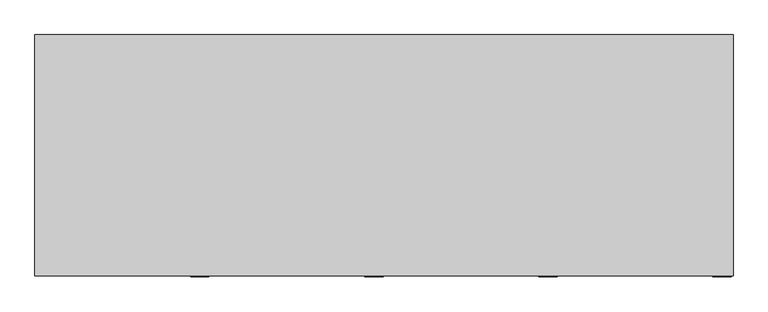
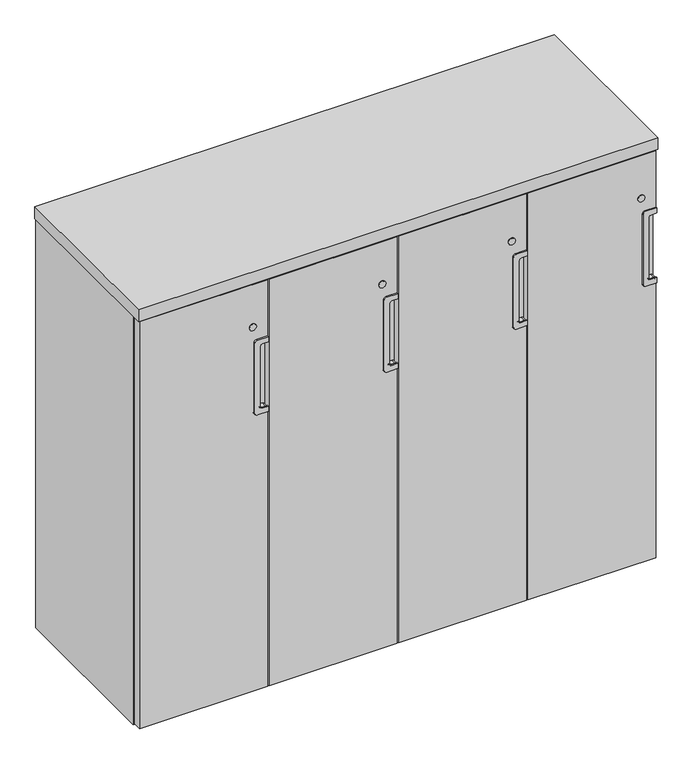
"""IFC4 building model written with IfcOpenShell, lengths in millimetres: furniture geometry."""

import ifcopenshell
import ifcopenshell.guid

model = None  # the IFC model being written
_history = None  # IfcOwnerHistory: only IFC2X3 demands one
_inside = {}  # id of a spatial element -> (the spatial element, [elements in it])
_under = {}  # id of a project, library or spatial element -> (it, [spatial elements below it])
_declared = {}  # id of a project -> (the project, [libraries it declares])
_typed = {}  # id of a type object -> (the type object, [elements of that type])
_made_of = {}  # id of a material, layer set ... -> (it, [elements and type objects made of it])


def new_model(schema):
    """Start an empty IFC model of exactly this schema.

    Asked for "IFC4X3", IfcOpenShell would pick the latest addendum, in which some entities
    have other attributes; the version numbers below select the first issue.
    IFC2X3 requires an IfcOwnerHistory on every rooted entity: one is made here for all.
    """
    global model, _history
    if schema == "IFC4X3":
        model = ifcopenshell.file(schema_version=(4, 3, 0, 0))
    else:
        model = ifcopenshell.file(schema=schema)
    _inside.clear()
    _under.clear()
    _declared.clear()
    _typed.clear()
    _made_of.clear()
    _history = None
    if model.schema == "IFC2X3":
        org = make("IfcOrganization", Name="unknown")
        user = make(
            "IfcPersonAndOrganization",
            ThePerson=make("IfcPerson", FamilyName="unknown"),
            TheOrganization=org,
        )
        app = make(
            "IfcApplication",
            ApplicationDeveloper=org,
            Version="unknown",
            ApplicationFullName="unknown",
            ApplicationIdentifier="unknown",
        )
        _history = make(
            "IfcOwnerHistory",
            OwningUser=user,
            OwningApplication=app,
            ChangeAction="ADDED",
            CreationDate=0,
        )
    return model


def make(cls, **values):
    """One entity of the class cls with the attributes given. An attribute that is None is left unset."""
    return model.create_entity(
        cls, **{name: value for name, value in values.items() if value is not None}
    )


def rooted(cls, **values):
    """An entity with a GlobalId (a new one), such as an element, a storey or a relation."""
    return make(cls, GlobalId=ifcopenshell.guid.new(), OwnerHistory=_history, **values)


def si_unit(unit_type, name, prefix=None):
    """IfcSIUnit, for example si_unit("LENGTHUNIT", "METRE", prefix="MILLI")."""
    return make("IfcSIUnit", UnitType=unit_type, Prefix=prefix, Name=name)


def assignment(units):
    """IfcUnitAssignment: the units of a project."""
    return None if units is None else make("IfcUnitAssignment", Units=units)


def point(xyz):
    """IfcCartesianPoint."""
    return None if xyz is None else make("IfcCartesianPoint", Coordinates=xyz)


def direction(xyz):
    """IfcDirection."""
    return None if xyz is None else make("IfcDirection", DirectionRatios=xyz)


def frame(location, z_axis=None, x_axis=None):
    """IfcAxis2Placement3D, a coordinate frame: its origin and axes. An axis left out is left unset."""
    return make(
        "IfcAxis2Placement3D",
        Location=point(location),
        Axis=direction(z_axis),
        RefDirection=direction(x_axis),
    )


def frame_2d(location, x_axis=None):
    """IfcAxis2Placement2D, a coordinate frame in the plane: its origin and x axis."""
    return make(
        "IfcAxis2Placement2D", Location=point(location), RefDirection=direction(x_axis)
    )


def origin():
    """The frame at (0, 0, 0) with its axes left unset."""
    return frame((0.0, 0.0, 0.0))


def origin_with_axes():
    """The frame at (0, 0, 0) with the z axis (0, 0, 1) and the x axis (1, 0, 0) written out."""
    return frame((0.0, 0.0, 0.0), z_axis=(0.0, 0.0, 1.0), x_axis=(1.0, 0.0, 0.0))


def place(relative_to, where):
    """IfcLocalPlacement: puts the frame where relative to a parent placement (None: the world)."""
    return make(
        "IfcLocalPlacement", PlacementRelTo=relative_to, RelativePlacement=where
    )


def context(
    kind, dimensions, precision=None, world=None, true_north=None, identifier=None
):
    """IfcGeometricRepresentationContext, for example the 3D "Model" context."""
    return make(
        "IfcGeometricRepresentationContext",
        ContextIdentifier=identifier,
        ContextType=kind,
        CoordinateSpaceDimension=dimensions,
        Precision=precision,
        WorldCoordinateSystem=world,
        TrueNorth=true_north,
    )


def project(units=None, contexts=None):
    """IfcProject with its units and contexts."""
    return rooted(
        "IfcProject",
        Name="project",
        RepresentationContexts=contexts,
        UnitsInContext=assignment(units),
    )


def spatial(cls, under=None, at=None, **own):
    """A site, building, storey or space (cls), placed at a placement, below another one or the project."""
    s = rooted(cls, ObjectPlacement=at, **own)
    if under is not None:
        _under.setdefault(under.id(), (under, []))[1].append(s)
    return s


def polyline(points):
    """IfcPolyline through the points."""
    return make("IfcPolyline", Points=[point(p) for p in points])


def circle_curve(where, radius):
    """IfcCircle in the frame where."""
    return make("IfcCircle", Position=where, Radius=radius)


def trimmed(basis, trim1, trim2, sense, master):
    """IfcTrimmedCurve: the piece of a basis curve between two trims."""
    return make(
        "IfcTrimmedCurve",
        BasisCurve=basis,
        Trim1=trim1,
        Trim2=trim2,
        SenseAgreement=sense,
        MasterRepresentation=master,
    )


def segment(curve, same_sense, transition):
    """IfcCompositeCurveSegment."""
    return make(
        "IfcCompositeCurveSegment",
        Transition=transition,
        SameSense=same_sense,
        ParentCurve=curve,
    )


def composite_curve(segments, self_intersect=None):
    """IfcCompositeCurve: segments joined end to end."""
    return make("IfcCompositeCurve", Segments=segments, SelfIntersect=self_intersect)


def outline(outer, holes=None, kind="AREA"):
    """IfcArbitraryClosedProfileDef: a profile drawn as a closed curve; with holes, ...WithVoids."""
    if holes is None:
        return make("IfcArbitraryClosedProfileDef", ProfileType=kind, OuterCurve=outer)
    return make(
        "IfcArbitraryProfileDefWithVoids",
        ProfileType=kind,
        OuterCurve=outer,
        InnerCurves=holes,
    )


def extrude(swept, where, along, depth):
    """IfcExtrudedAreaSolid: the profile swept, set in the frame where, extruded along a direction by depth."""
    return make(
        "IfcExtrudedAreaSolid",
        SweptArea=swept,
        Position=where,
        ExtrudedDirection=direction(along),
        Depth=depth,
    )


def shape(context_of_items, identifier, shape_type, items):
    """IfcShapeRepresentation: the items that make up one representation, for example the "Body"."""
    return make(
        "IfcShapeRepresentation",
        ContextOfItems=context_of_items,
        RepresentationIdentifier=identifier,
        RepresentationType=shape_type,
        Items=items,
    )


def source(mapping_origin, context_of_items, identifier, shape_type, items):
    """IfcRepresentationMap: a shape defined once, which mapped items show again and again."""
    return make(
        "IfcRepresentationMap",
        MappingOrigin=mapping_origin,
        MappedRepresentation=shape(context_of_items, identifier, shape_type, items),
    )


def transform(
    local_origin,
    x_axis=None,
    y_axis=None,
    z_axis=None,
    scale=None,
    scale2=None,
    scale3=None,
    uniform=True,
):
    """IfcCartesianTransformationOperator3D, or its non-uniform kind. x_axis, y_axis, z_axis: its Axis1, 2, 3."""
    if uniform:
        return make(
            "IfcCartesianTransformationOperator3D",
            Axis1=direction(x_axis),
            Axis2=direction(y_axis),
            LocalOrigin=point(local_origin),
            Scale=scale,
            Axis3=direction(z_axis),
        )
    return make(
        "IfcCartesianTransformationOperator3DnonUniform",
        Axis1=direction(x_axis),
        Axis2=direction(y_axis),
        LocalOrigin=point(local_origin),
        Scale=scale,
        Axis3=direction(z_axis),
        Scale2=scale2,
        Scale3=scale3,
    )


def mapped(mapping_source, mapping_target):
    """IfcMappedItem: shows the shape of a source again, moved by a transform."""
    return make(
        "IfcMappedItem", MappingSource=mapping_source, MappingTarget=mapping_target
    )


def made_of(thing, what):
    """Note that an element or type object is made of a material, layer set ...; save() writes the relation."""
    if what is not None:
        _made_of.setdefault(what.id(), (what, []))[1].append(thing)
    return thing


def element(
    cls,
    number,
    at=None,
    inside=None,
    cuts=None,
    type_object=None,
    material=None,
    context=None,
    identifier="Body",
    shape_type=None,
    held_by="IfcProductDefinitionShape",
    body=None,
    shapes=None,
    **own,
):
    """One element of the class cls, such as IfcWall. Its Tag is "e" and its number.

    at: its placement. inside: the storey or other place that contains it. cuts: it is an
    opening in that element (IfcRelVoidsElement). A single representation is given by context,
    identifier, shape_type and body (its items); several are given by shapes. held_by: the class
    of the entity that holds the representations. save() writes the other relations.
    """
    e = rooted(cls, Tag="e%d" % number, ObjectPlacement=at, **own)
    if body is not None:
        shapes = [shape(context, identifier, shape_type, body)]
    if shapes is not None:
        e.Representation = make(held_by, Representations=shapes)
    if inside is not None:
        _inside.setdefault(inside.id(), (inside, []))[1].append(e)
    if cuts is not None:
        rooted(
            "IfcRelVoidsElement", RelatingBuildingElement=cuts, RelatedOpeningElement=e
        )
    if type_object is not None:
        _typed.setdefault(type_object.id(), (type_object, []))[1].append(e)
    return made_of(e, material)


def aggregate(whole, parts):
    """IfcRelAggregates: a whole, such as a stair, and the parts it consists of."""
    return rooted("IfcRelAggregates", RelatingObject=whole, RelatedObjects=parts)


def save(model, path):
    """Write the relations noted so far, then the file.

    IfcRelAggregates (storeys below a building ...), IfcRelContainedInSpatialStructure (elements
    in a storey), IfcRelDefinesByType, IfcRelAssociatesMaterial and IfcRelDeclares: one each for
    every whole, place, type object, material and project.
    """
    for whole, parts in _under.values():
        aggregate(whole, parts)
    for where, things in _inside.values():
        rooted(
            "IfcRelContainedInSpatialStructure",
            RelatedElements=things,
            RelatingStructure=where,
        )
    for kind, things in _typed.values():
        rooted("IfcRelDefinesByType", RelatedObjects=things, RelatingType=kind)
    for what, things in _made_of.values():
        rooted("IfcRelAssociatesMaterial", RelatedObjects=things, RelatingMaterial=what)
    for by, libraries in _declared.values():
        rooted("IfcRelDeclares", RelatingContext=by, RelatedDefinitions=libraries)
    model.write(path)


def plane_surface(at):
    """IfcPlane: the flat surface through the origin of the frame at, square to its z axis."""
    return make("IfcPlane", Position=at)


def revolved_surface(curve, axis_point, axis_direction):
    """IfcSurfaceOfRevolution: the curve turned about the line through axis_point along axis_direction."""
    return make(
        "IfcSurfaceOfRevolution",
        SweptCurve=make("IfcArbitraryOpenProfileDef", ProfileType="CURVE", Curve=curve),
        AxisPosition=make("IfcAxis1Placement", Location=point(axis_point), Axis=direction(axis_direction)),
    )


def advanced_brep(points, edges, surfaces, faces):
    """IfcAdvancedBrep: a solid bounded by faces that lie on surfaces and meet in shared edges.

    An edge is (start, end): straight between two places in points (the first is 0);
    or (start, end, curve); or (start, end, curve, False) where it runs against its curve.
    A face is (place in surfaces, loops), or (place, loops, False) where it looks against
    its surface's normal. A loop lists edges by number (the first is 1), with a minus sign
    where the edge is run from its end to its start. The first loop is the outer one.
    """
    corners = [point(p) for p in points]
    vertices = [make("IfcVertexPoint", VertexGeometry=c) for c in corners]
    made = []
    for start, end, *more in edges:
        made.append(
            make(
                "IfcEdgeCurve",
                EdgeStart=vertices[start],
                EdgeEnd=vertices[end],
                EdgeGeometry=more[0] if more else make("IfcPolyline", Points=[corners[start], corners[end]]),
                SameSense=more[1] if len(more) > 1 else True,
            )
        )
    hull = []
    for where, loops, *sense in faces:
        bounds = []
        for j, loop in enumerate(loops):
            ring = [make("IfcOrientedEdge", EdgeElement=made[abs(k) - 1], Orientation=k > 0) for k in loop]
            bounds.append(
                make(
                    "IfcFaceOuterBound" if j == 0 else "IfcFaceBound",
                    Bound=make("IfcEdgeLoop", EdgeList=ring),
                    Orientation=True,
                )
            )
        hull.append(make("IfcAdvancedFace", Bounds=bounds, FaceSurface=surfaces[where], SameSense=sense[0] if sense else True))
    return make("IfcAdvancedBrep", Outer=make("IfcClosedShell", CfsFaces=hull))


def furniture_829c63c5(model_context):
    return source(origin(), model_context, "Body", "SolidModel", [
        extrude(outline(composite_curve([segment(polyline([(705.7009, 1190.6250158), (855.2307, 1190.6250158)]), True, "CONTINUOUS"), segment(trimmed(circle_curve(frame_2d((855.2307, 1193.7270625)), 3.1020466), [point((855.2307, 1190.6250158))], [point((858.3327466, 1193.7270625))], True, "CARTESIAN"), True, "CONTINUOUS"), segment(polyline([(858.3327466, 1193.7270625), (858.3327466, 1204.8998158)]), True, "CONTINUOUS"), segment(trimmed(circle_curve(frame_2d((863.1079466, 1204.8998158)), 4.7752), [point((858.3327466, 1204.8998158))], [point((863.1079466, 1209.6750158))], False, "CARTESIAN"), True, "CONTINUOUS"), segment(polyline([(863.1079466, 1209.6750158), (871.0327466, 1209.6750158), (871.0327466, 1206.5000158), (863.1079466, 1206.5000158)]), True, "CONTINUOUS"), segment(trimmed(circle_curve(frame_2d((863.1079466, 1204.8998158)), 1.6002), [point((863.1079466, 1206.5000158))], [point((861.5077466, 1204.8998158))], True, "CARTESIAN"), True, "CONTINUOUS"), segment(polyline([(861.5077466, 1204.8998158), (861.5077466, 1193.7270625)]), True, "CONTINUOUS"), segment(trimmed(circle_curve(frame_2d((855.2307, 1193.7270625)), 6.2770466), [point((861.5077466, 1193.7270625))], [point((855.2307, 1187.4500158))], False, "CARTESIAN"), True, "CONTINUOUS"), segment(polyline([(855.2307, 1187.4500158), (705.7009, 1187.4500158)]), True, "CONTINUOUS"), segment(trimmed(circle_curve(frame_2d((705.7009, 1195.4002158)), 7.9502), [point((705.7009, 1187.4500158))], [point((697.7507, 1195.4002158))], False, "CARTESIAN"), True, "CONTINUOUS"), segment(polyline([(697.7507, 1195.4002158), (697.7507, 1204.8998158)]), True, "CONTINUOUS"), segment(trimmed(circle_curve(frame_2d((696.1505, 1204.8998158)), 1.6002), [point((697.7507, 1204.8998158))], [point((696.1505, 1206.5000158))], True, "CARTESIAN"), True, "CONTINUOUS"), segment(polyline([(696.1505, 1206.5000158), (688.2257, 1206.5000158), (688.2257, 1209.6750158), (696.1505, 1209.6750158)]), True, "CONTINUOUS"), segment(trimmed(circle_curve(frame_2d((696.1505, 1204.8998158)), 4.7752), [point((696.1505, 1209.6750158))], [point((700.9257, 1204.8998158))], False, "CARTESIAN"), True, "CONTINUOUS"), segment(polyline([(700.9257, 1204.8998158), (700.9257, 1195.4002158)]), True, "CONTINUOUS"), segment(trimmed(circle_curve(frame_2d((705.7009, 1195.4002158)), 4.7752), [point((700.9257, 1195.4002158))], [point((705.7009, 1190.6250158))], True, "CARTESIAN"), True, "CONTINUOUS")], self_intersect=False)), frame((0.0, -425.5865021, 0.0), z_axis=(0.0, 1.0, 0.0), x_axis=(0.0, 0.0, 1.0)), (0.0, 0.0, 1.0), 12.7),
        extrude(outline(composite_curve([segment(polyline([(688.2257, 1209.6750158), (700.9257, 1209.6750158), (700.9257, 1193.7270625)]), True, "CONTINUOUS"), segment(trimmed(circle_curve(frame_2d((704.0277466, 1193.7270625)), 3.1020466), [point((700.9257, 1193.7270625))], [point((704.0277466, 1190.6250158))], True, "CARTESIAN"), True, "CONTINUOUS"), segment(polyline([(704.0277466, 1190.6250158), (855.2307, 1190.6250158)]), True, "CONTINUOUS"), segment(trimmed(circle_curve(frame_2d((855.2307, 1195.4002158)), 4.7752), [point((855.2307, 1190.6250158))], [point((860.0059, 1195.4002158))], True, "CARTESIAN"), True, "CONTINUOUS"), segment(polyline([(860.0059, 1195.4002158), (860.0059, 1209.6750158), (872.7059, 1209.6750158), (872.7059, 1184.1480158)]), True, "CONTINUOUS"), segment(trimmed(circle_curve(frame_2d((866.3559, 1184.1480158)), 6.35), [point((872.7059, 1184.1480158))], [point((866.3559, 1177.7980158))], False, "CARTESIAN"), True, "CONTINUOUS"), segment(polyline([(866.3559, 1177.7980158), (694.5757, 1177.7980158)]), True, "CONTINUOUS"), segment(trimmed(circle_curve(frame_2d((694.5757, 1184.1480158)), 6.35), [point((694.5757, 1177.7980158))], [point((688.2257, 1184.1480158))], False, "CARTESIAN"), True, "CONTINUOUS"), segment(polyline([(688.2257, 1184.1480158), (688.2257, 1209.6750158)]), True, "CONTINUOUS")], self_intersect=False)), frame((0.0, -428.7615021, 0.0), z_axis=(0.0, 1.0, 0.0), x_axis=(0.0, 0.0, 1.0)), (0.0, 0.0, 1.0), 3.175),
        extrude(outline(composite_curve([segment(polyline([(866.3559, 1177.7980158), (694.5757, 1177.7980158)]), True, "CONTINUOUS"), segment(trimmed(circle_curve(frame_2d((694.5757, 1184.1480158)), 6.35), [point((694.5757, 1177.7980158))], [point((688.2257, 1184.1480158))], False, "CARTESIAN"), True, "CONTINUOUS"), segment(polyline([(688.2257, 1184.1480158), (688.2257, 1209.6750158), (872.7059, 1209.6750158), (872.7059, 1184.1480158)]), True, "CONTINUOUS"), segment(trimmed(circle_curve(frame_2d((866.3559, 1184.1480158)), 6.35), [point((872.7059, 1184.1480158))], [point((866.3559, 1177.7980158))], False, "CARTESIAN"), True, "CONTINUOUS")], self_intersect=False)), frame((0.0, -412.8865021, 0.0), z_axis=(0.0, 1.0, 0.0), x_axis=(0.0, 0.0, 1.0)), (0.0, 0.0, 1.0), 3.175),
        extrude(outline(composite_curve([segment(polyline([(705.7009, 888.2062579), (855.2307, 888.2062579)]), True, "CONTINUOUS"), segment(trimmed(circle_curve(frame_2d((855.2307, 891.3083046)), 3.1020466), [point((855.2307, 888.2062579))], [point((858.3327466, 891.3083046))], True, "CARTESIAN"), True, "CONTINUOUS"), segment(polyline([(858.3327466, 891.3083046), (858.3327466, 902.4810579)]), True, "CONTINUOUS"), segment(trimmed(circle_curve(frame_2d((863.1079466, 902.4810579)), 4.7752), [point((858.3327466, 902.4810579))], [point((863.1079466, 907.2562579))], False, "CARTESIAN"), True, "CONTINUOUS"), segment(polyline([(863.1079466, 907.2562579), (871.0327466, 907.2562579), (871.0327466, 904.0812579), (863.1079466, 904.0812579)]), True, "CONTINUOUS"), segment(trimmed(circle_curve(frame_2d((863.1079466, 902.4810579)), 1.6002), [point((863.1079466, 904.0812579))], [point((861.5077466, 902.4810579))], True, "CARTESIAN"), True, "CONTINUOUS"), segment(polyline([(861.5077466, 902.4810579), (861.5077466, 891.3083046)]), True, "CONTINUOUS"), segment(trimmed(circle_curve(frame_2d((855.2307, 891.3083046)), 6.2770466), [point((861.5077466, 891.3083046))], [point((855.2307, 885.0312579))], False, "CARTESIAN"), True, "CONTINUOUS"), segment(polyline([(855.2307, 885.0312579), (705.7009, 885.0312579)]), True, "CONTINUOUS"), segment(trimmed(circle_curve(frame_2d((705.7009, 892.9814579)), 7.9502), [point((705.7009, 885.0312579))], [point((697.7507, 892.9814579))], False, "CARTESIAN"), True, "CONTINUOUS"), segment(polyline([(697.7507, 892.9814579), (697.7507, 902.4810579)]), True, "CONTINUOUS"), segment(trimmed(circle_curve(frame_2d((696.1505, 902.4810579)), 1.6002), [point((697.7507, 902.4810579))], [point((696.1505, 904.0812579))], True, "CARTESIAN"), True, "CONTINUOUS"), segment(polyline([(696.1505, 904.0812579), (688.2257, 904.0812579), (688.2257, 907.2562579), (696.1505, 907.2562579)]), True, "CONTINUOUS"), segment(trimmed(circle_curve(frame_2d((696.1505, 902.4810579)), 4.7752), [point((696.1505, 907.2562579))], [point((700.9257, 902.4810579))], False, "CARTESIAN"), True, "CONTINUOUS"), segment(polyline([(700.9257, 902.4810579), (700.9257, 892.9814579)]), True, "CONTINUOUS"), segment(trimmed(circle_curve(frame_2d((705.7009, 892.9814579)), 4.7752), [point((700.9257, 892.9814579))], [point((705.7009, 888.2062579))], True, "CARTESIAN"), True, "CONTINUOUS")], self_intersect=False)), frame((0.0, -425.5865021, 0.0), z_axis=(0.0, 1.0, 0.0), x_axis=(0.0, 0.0, 1.0)), (0.0, 0.0, 1.0), 12.7),
        extrude(outline(composite_curve([segment(polyline([(688.2257, 907.2562579), (700.9257, 907.2562579), (700.9257, 891.3083046)]), True, "CONTINUOUS"), segment(trimmed(circle_curve(frame_2d((704.0277466, 891.3083046)), 3.1020466), [point((700.9257, 891.3083046))], [point((704.0277466, 888.2062579))], True, "CARTESIAN"), True, "CONTINUOUS"), segment(polyline([(704.0277466, 888.2062579), (855.2307, 888.2062579)]), True, "CONTINUOUS"), segment(trimmed(circle_curve(frame_2d((855.2307, 892.9814579)), 4.7752), [point((855.2307, 888.2062579))], [point((860.0059, 892.9814579))], True, "CARTESIAN"), True, "CONTINUOUS"), segment(polyline([(860.0059, 892.9814579), (860.0059, 907.2562579), (872.7059, 907.2562579), (872.7059, 881.7292579)]), True, "CONTINUOUS"), segment(trimmed(circle_curve(frame_2d((866.3559, 881.7292579)), 6.35), [point((872.7059, 881.7292579))], [point((866.3559, 875.3792579))], False, "CARTESIAN"), True, "CONTINUOUS"), segment(polyline([(866.3559, 875.3792579), (694.5757, 875.3792579)]), True, "CONTINUOUS"), segment(trimmed(circle_curve(frame_2d((694.5757, 881.7292579)), 6.35), [point((694.5757, 875.3792579))], [point((688.2257, 881.7292579))], False, "CARTESIAN"), True, "CONTINUOUS"), segment(polyline([(688.2257, 881.7292579), (688.2257, 907.2562579)]), True, "CONTINUOUS")], self_intersect=False)), frame((0.0, -428.7615021, 0.0), z_axis=(0.0, 1.0, 0.0), x_axis=(0.0, 0.0, 1.0)), (0.0, 0.0, 1.0), 3.175),
        extrude(outline(composite_curve([segment(polyline([(866.3559, 875.3792579), (694.5757, 875.3792579)]), True, "CONTINUOUS"), segment(trimmed(circle_curve(frame_2d((694.5757, 881.7292579)), 6.35), [point((694.5757, 875.3792579))], [point((688.2257, 881.7292579))], False, "CARTESIAN"), True, "CONTINUOUS"), segment(polyline([(688.2257, 881.7292579), (688.2257, 907.2562579), (872.7059, 907.2562579), (872.7059, 881.7292579)]), True, "CONTINUOUS"), segment(trimmed(circle_curve(frame_2d((866.3559, 881.7292579)), 6.35), [point((872.7059, 881.7292579))], [point((866.3559, 875.3792579))], False, "CARTESIAN"), True, "CONTINUOUS")], self_intersect=False)), frame((0.0, -412.8865021, 0.0), z_axis=(0.0, 1.0, 0.0), x_axis=(0.0, 0.0, 1.0)), (0.0, 0.0, 1.0), 3.175),
        extrude(outline(composite_curve([segment(polyline([(705.7009, 585.7875), (855.2307, 585.7875)]), True, "CONTINUOUS"), segment(trimmed(circle_curve(frame_2d((855.2307, 588.8895466)), 3.1020466), [point((855.2307, 585.7875))], [point((858.3327466, 588.8895466))], True, "CARTESIAN"), True, "CONTINUOUS"), segment(polyline([(858.3327466, 588.8895466), (858.3327466, 600.0623)]), True, "CONTINUOUS"), segment(trimmed(circle_curve(frame_2d((863.1079466, 600.0623)), 4.7752), [point((858.3327466, 600.0623))], [point((863.1079466, 604.8375))], False, "CARTESIAN"), True, "CONTINUOUS"), segment(polyline([(863.1079466, 604.8375), (871.0327466, 604.8375), (871.0327466, 601.6625), (863.1079466, 601.6625)]), True, "CONTINUOUS"), segment(trimmed(circle_curve(frame_2d((863.1079466, 600.0623)), 1.6002), [point((863.1079466, 601.6625))], [point((861.5077466, 600.0623))], True, "CARTESIAN"), True, "CONTINUOUS"), segment(polyline([(861.5077466, 600.0623), (861.5077466, 588.8895466)]), True, "CONTINUOUS"), segment(trimmed(circle_curve(frame_2d((855.2307, 588.8895466)), 6.2770466), [point((861.5077466, 588.8895466))], [point((855.2307, 582.6125))], False, "CARTESIAN"), True, "CONTINUOUS"), segment(polyline([(855.2307, 582.6125), (705.7009, 582.6125)]), True, "CONTINUOUS"), segment(trimmed(circle_curve(frame_2d((705.7009, 590.5627)), 7.9502), [point((705.7009, 582.6125))], [point((697.7507, 590.5627))], False, "CARTESIAN"), True, "CONTINUOUS"), segment(polyline([(697.7507, 590.5627), (697.7507, 600.0623)]), True, "CONTINUOUS"), segment(trimmed(circle_curve(frame_2d((696.1505, 600.0623)), 1.6002), [point((697.7507, 600.0623))], [point((696.1505, 601.6625))], True, "CARTESIAN"), True, "CONTINUOUS"), segment(polyline([(696.1505, 601.6625), (688.2257, 601.6625), (688.2257, 604.8375), (696.1505, 604.8375)]), True, "CONTINUOUS"), segment(trimmed(circle_curve(frame_2d((696.1505, 600.0623)), 4.7752), [point((696.1505, 604.8375))], [point((700.9257, 600.0623))], False, "CARTESIAN"), True, "CONTINUOUS"), segment(polyline([(700.9257, 600.0623), (700.9257, 590.5627)]), True, "CONTINUOUS"), segment(trimmed(circle_curve(frame_2d((705.7009, 590.5627)), 4.7752), [point((700.9257, 590.5627))], [point((705.7009, 585.7875))], True, "CARTESIAN"), True, "CONTINUOUS")], self_intersect=False)), frame((0.0, -425.5865021, 0.0), z_axis=(0.0, 1.0, 0.0), x_axis=(0.0, 0.0, 1.0)), (0.0, 0.0, 1.0), 12.7),
        extrude(outline(composite_curve([segment(polyline([(688.2257, 604.8375), (700.9257, 604.8375), (700.9257, 588.8895466)]), True, "CONTINUOUS"), segment(trimmed(circle_curve(frame_2d((704.0277466, 588.8895466)), 3.1020466), [point((700.9257, 588.8895466))], [point((704.0277466, 585.7875))], True, "CARTESIAN"), True, "CONTINUOUS"), segment(polyline([(704.0277466, 585.7875), (855.2307, 585.7875)]), True, "CONTINUOUS"), segment(trimmed(circle_curve(frame_2d((855.2307, 590.5627)), 4.7752), [point((855.2307, 585.7875))], [point((860.0059, 590.5627))], True, "CARTESIAN"), True, "CONTINUOUS"), segment(polyline([(860.0059, 590.5627), (860.0059, 604.8375), (872.7059, 604.8375), (872.7059, 579.3105)]), True, "CONTINUOUS"), segment(trimmed(circle_curve(frame_2d((866.3559, 579.3105)), 6.35), [point((872.7059, 579.3105))], [point((866.3559, 572.9605))], False, "CARTESIAN"), True, "CONTINUOUS"), segment(polyline([(866.3559, 572.9605), (694.5757, 572.9605)]), True, "CONTINUOUS"), segment(trimmed(circle_curve(frame_2d((694.5757, 579.3105)), 6.35), [point((694.5757, 572.9605))], [point((688.2257, 579.3105))], False, "CARTESIAN"), True, "CONTINUOUS"), segment(polyline([(688.2257, 579.3105), (688.2257, 604.8375)]), True, "CONTINUOUS")], self_intersect=False)), frame((0.0, -428.7615021, 0.0), z_axis=(0.0, 1.0, 0.0), x_axis=(0.0, 0.0, 1.0)), (0.0, 0.0, 1.0), 3.175),
        extrude(outline(composite_curve([segment(polyline([(866.3559, 572.9605), (694.5757, 572.9605)]), True, "CONTINUOUS"), segment(trimmed(circle_curve(frame_2d((694.5757, 579.3105)), 6.35), [point((694.5757, 572.9605))], [point((688.2257, 579.3105))], False, "CARTESIAN"), True, "CONTINUOUS"), segment(polyline([(688.2257, 579.3105), (688.2257, 604.8375), (872.7059, 604.8375), (872.7059, 579.3105)]), True, "CONTINUOUS"), segment(trimmed(circle_curve(frame_2d((866.3559, 579.3105)), 6.35), [point((872.7059, 579.3105))], [point((866.3559, 572.9605))], False, "CARTESIAN"), True, "CONTINUOUS")], self_intersect=False)), frame((0.0, -412.8865021, 0.0), z_axis=(0.0, 1.0, 0.0), x_axis=(0.0, 0.0, 1.0)), (0.0, 0.0, 1.0), 3.175),
        extrude(outline(composite_curve([segment(polyline([(705.7009, 283.3687421), (855.2307, 283.3687421)]), True, "CONTINUOUS"), segment(trimmed(circle_curve(frame_2d((855.2307, 286.4707887)), 3.1020466), [point((855.2307, 283.3687421))], [point((858.3327466, 286.4707887))], True, "CARTESIAN"), True, "CONTINUOUS"), segment(polyline([(858.3327466, 286.4707887), (858.3327466, 297.6435421)]), True, "CONTINUOUS"), segment(trimmed(circle_curve(frame_2d((863.1079466, 297.6435421)), 4.7752), [point((858.3327466, 297.6435421))], [point((863.1079466, 302.4187421))], False, "CARTESIAN"), True, "CONTINUOUS"), segment(polyline([(863.1079466, 302.4187421), (871.0327466, 302.4187421), (871.0327466, 299.2437421), (863.1079466, 299.2437421)]), True, "CONTINUOUS"), segment(trimmed(circle_curve(frame_2d((863.1079466, 297.6435421)), 1.6002), [point((863.1079466, 299.2437421))], [point((861.5077466, 297.6435421))], True, "CARTESIAN"), True, "CONTINUOUS"), segment(polyline([(861.5077466, 297.6435421), (861.5077466, 286.4707887)]), True, "CONTINUOUS"), segment(trimmed(circle_curve(frame_2d((855.2307, 286.4707887)), 6.2770466), [point((861.5077466, 286.4707887))], [point((855.2307, 280.1937421))], False, "CARTESIAN"), True, "CONTINUOUS"), segment(polyline([(855.2307, 280.1937421), (705.7009, 280.1937421)]), True, "CONTINUOUS"), segment(trimmed(circle_curve(frame_2d((705.7009, 288.1439421)), 7.9502), [point((705.7009, 280.1937421))], [point((697.7507, 288.1439421))], False, "CARTESIAN"), True, "CONTINUOUS"), segment(polyline([(697.7507, 288.1439421), (697.7507, 297.6435421)]), True, "CONTINUOUS"), segment(trimmed(circle_curve(frame_2d((696.1505, 297.6435421)), 1.6002), [point((697.7507, 297.6435421))], [point((696.1505, 299.2437421))], True, "CARTESIAN"), True, "CONTINUOUS"), segment(polyline([(696.1505, 299.2437421), (688.2257, 299.2437421), (688.2257, 302.4187421), (696.1505, 302.4187421)]), True, "CONTINUOUS"), segment(trimmed(circle_curve(frame_2d((696.1505, 297.6435421)), 4.7752), [point((696.1505, 302.4187421))], [point((700.9257, 297.6435421))], False, "CARTESIAN"), True, "CONTINUOUS"), segment(polyline([(700.9257, 297.6435421), (700.9257, 288.1439421)]), True, "CONTINUOUS"), segment(trimmed(circle_curve(frame_2d((705.7009, 288.1439421)), 4.7752), [point((700.9257, 288.1439421))], [point((705.7009, 283.3687421))], True, "CARTESIAN"), True, "CONTINUOUS")], self_intersect=False)), frame((0.0, -425.5865021, 0.0), z_axis=(0.0, 1.0, 0.0), x_axis=(0.0, 0.0, 1.0)), (0.0, 0.0, 1.0), 12.7),
        extrude(outline(composite_curve([segment(polyline([(688.2257, 302.4187421), (700.9257, 302.4187421), (700.9257, 286.4707887)]), True, "CONTINUOUS"), segment(trimmed(circle_curve(frame_2d((704.0277466, 286.4707887)), 3.1020466), [point((700.9257, 286.4707887))], [point((704.0277466, 283.3687421))], True, "CARTESIAN"), True, "CONTINUOUS"), segment(polyline([(704.0277466, 283.3687421), (855.2307, 283.3687421)]), True, "CONTINUOUS"), segment(trimmed(circle_curve(frame_2d((855.2307, 288.1439421)), 4.7752), [point((855.2307, 283.3687421))], [point((860.0059, 288.1439421))], True, "CARTESIAN"), True, "CONTINUOUS"), segment(polyline([(860.0059, 288.1439421), (860.0059, 302.4187421), (872.7059, 302.4187421), (872.7059, 276.8917421)]), True, "CONTINUOUS"), segment(trimmed(circle_curve(frame_2d((866.3559, 276.8917421)), 6.35), [point((872.7059, 276.8917421))], [point((866.3559, 270.5417421))], False, "CARTESIAN"), True, "CONTINUOUS"), segment(polyline([(866.3559, 270.5417421), (694.5757, 270.5417421)]), True, "CONTINUOUS"), segment(trimmed(circle_curve(frame_2d((694.5757, 276.8917421)), 6.35), [point((694.5757, 270.5417421))], [point((688.2257, 276.8917421))], False, "CARTESIAN"), True, "CONTINUOUS"), segment(polyline([(688.2257, 276.8917421), (688.2257, 302.4187421)]), True, "CONTINUOUS")], self_intersect=False)), frame((0.0, -428.7615021, 0.0), z_axis=(0.0, 1.0, 0.0), x_axis=(0.0, 0.0, 1.0)), (0.0, 0.0, 1.0), 3.175),
        extrude(outline(composite_curve([segment(polyline([(866.3559, 270.5417421), (694.5757, 270.5417421)]), True, "CONTINUOUS"), segment(trimmed(circle_curve(frame_2d((694.5757, 276.8917421)), 6.35), [point((694.5757, 270.5417421))], [point((688.2257, 276.8917421))], False, "CARTESIAN"), True, "CONTINUOUS"), segment(polyline([(688.2257, 276.8917421), (688.2257, 302.4187421), (872.7059, 302.4187421), (872.7059, 276.8917421)]), True, "CONTINUOUS"), segment(trimmed(circle_curve(frame_2d((866.3559, 276.8917421)), 6.35), [point((872.7059, 276.8917421))], [point((866.3559, 270.5417421))], False, "CARTESIAN"), True, "CONTINUOUS")], self_intersect=False)), frame((0.0, -412.8865021, 0.0), z_axis=(0.0, 1.0, 0.0), x_axis=(0.0, 0.0, 1.0)), (0.0, 0.0, 1.0), 3.175),
        extrude(outline(polyline([(1150.5192181, -345.6312472), (1166.4670759, -336.4237472), (1182.4149337, -345.6312472), (1182.4149337, -364.0462472), (1166.4670759, -373.2537472), (1150.5192181, -364.0462472), (1150.5192181, -345.6312472)])), origin_with_axes(), (0.0, 0.0, 1.0), 9.144),
        extrude(outline(polyline([(1150.5192181, -47.1181713), (1166.4670759, -37.9106713), (1182.4149337, -47.1181713), (1182.4149337, -65.5331713), (1166.4670759, -74.7406713), (1150.5192181, -65.5331713), (1150.5192181, -47.1181713)])), origin_with_axes(), (0.0, 0.0, 1.0), 9.144),
        extrude(outline(polyline([(30.4350663, -345.6312472), (46.3829241, -336.4237472), (62.3307819, -345.6312472), (62.3307819, -364.0462472), (46.3829241, -373.2537472), (30.4350663, -364.0462472), (30.4350663, -345.6312472)])), origin_with_axes(), (0.0, 0.0, 1.0), 9.144),
        extrude(outline(polyline([(30.4350663, -47.1181713), (46.3829241, -37.9106713), (62.3307819, -47.1181713), (62.3307819, -65.5331713), (46.3829241, -74.7406713), (30.4350663, -65.5331713), (30.4350663, -47.1181713)])), origin_with_axes(), (0.0, 0.0, 1.0), 9.144),
        extrude(outline(polyline([(587.1210079, -30.4938704), (606.4250079, -30.4938704), (606.4250079, -401.5835036), (587.1210079, -401.5835036), (587.1210079, -30.4938704)])), frame((0.0, 0.0, 79.57058), z_axis=(0.0, 0.0, 1.0), x_axis=(1.0, 0.0, 0.0)), (0.0, 0.0, 1.0), 935.08322),
        extrude(outline(polyline([(889.5397579, -30.4938704), (908.8437579, -30.4938704), (908.8437579, -401.5835036), (889.5397579, -401.5835036), (889.5397579, -30.4938704)])), frame((0.0, 0.0, 79.57058), z_axis=(0.0, 0.0, 1.0), x_axis=(1.0, 0.0, 0.0)), (0.0, 0.0, 1.0), 935.08322),
        extrude(outline(polyline([(304.0062421, -30.4938704), (304.0062421, -401.5835036), (284.7022421, -401.5835036), (284.7022421, -30.4938704), (304.0062421, -30.4938704)])), frame((0.0, 0.0, 79.57058), z_axis=(0.0, 0.0, 1.0), x_axis=(1.0, 0.0, 0.0)), (0.0, 0.0, 1.0), 935.08322),
        extrude(outline(polyline([(1191.9585154, -11.1898712), (1191.9585154, -30.4938704), (20.8915005, -30.4938704), (20.8915005, -11.1898712), (1191.9585154, -11.1898712)])), frame((0.0, 0.0, 4.699), z_axis=(0.0, 0.0, 1.0), x_axis=(1.0, 0.0, 0.0)), (0.0, 0.0, 1.0), 1009.9548),
        extrude(outline(polyline([(20.8915005, -9.6658713), (20.8915005, -403.1075021), (1.5874842, -403.1075021), (1.5874842, -9.6658713), (20.8915005, -9.6658713)])), frame((0.0, 0.0, 4.699), z_axis=(0.0, 0.0, 1.0), x_axis=(1.0, 0.0, 0.0)), (0.0, 0.0, 1.0), 1009.9548),
        extrude(outline(polyline([(1191.9585154, -9.6658713), (1211.2625158, -9.6658713), (1211.2625158, -403.1075021), (1191.9585154, -403.1075021), (1191.9585154, -9.6658713)])), frame((0.0, 0.0, 4.699), z_axis=(0.0, 0.0, 1.0), x_axis=(1.0, 0.0, 0.0)), (0.0, 0.0, 1.0), 1009.9548),
        extrude(outline(polyline([(625.7290079, -30.4938704), (625.7290079, -401.5835036), (606.4250079, -401.5835036), (606.4250079, -30.4938704), (625.7290079, -30.4938704)])), frame((0.0, 0.0, 79.57058), z_axis=(0.0, 0.0, 1.0), x_axis=(1.0, 0.0, 0.0)), (0.0, 0.0, 1.0), 935.08322),
        extrude(outline(polyline([(304.0062421, -30.4938704), (323.3102421, -30.4938704), (323.3102421, -401.5835036), (304.0062421, -401.5835036), (304.0062421, -30.4938704)])), frame((0.0, 0.0, 79.57058), z_axis=(0.0, 0.0, 1.0), x_axis=(1.0, 0.0, 0.0)), (0.0, 0.0, 1.0), 935.08322),
        extrude(outline(polyline([(928.1477579, -30.4938704), (928.1477579, -401.5835036), (908.8437579, -401.5835036), (908.8437579, -30.4938704), (928.1477579, -30.4938704)])), frame((0.0, 0.0, 79.57058), z_axis=(0.0, 0.0, 1.0), x_axis=(1.0, 0.0, 0.0)), (0.0, 0.0, 1.0), 935.08322),
        extrude(outline(polyline([(1191.9585154, -30.4938704), (1191.9585154, -402.7264934), (20.8915005, -402.7264934), (20.8915005, -30.4938704), (1191.9585154, -30.4938704)])), frame((0.0, 0.0, 995.3498), z_axis=(0.0, 0.0, 1.0), x_axis=(1.0, 0.0, 0.0)), (0.0, 0.0, 1.0), 19.304),
        extrude(outline(polyline([(1212.85, -8.0783713), (1212.85, -427.1783713), (0.0, -427.1783713), (0.0, -8.0783713), (1212.85, -8.0783713)])), frame((0.0, 0.0, 1014.6538031), z_axis=(0.0, 0.0, 1.0), x_axis=(1.0, 0.0, 0.0)), (0.0, 0.0, 1.0), 28.5749969),
        extrude(outline(polyline([(1191.9585154, -30.4938704), (1191.9585154, -402.7264934), (20.8915005, -402.7264934), (20.8915005, -30.4938704), (1191.9585154, -30.4938704)])), frame((0.0, 0.0, 60.26658), z_axis=(0.0, 0.0, 1.0), x_axis=(1.0, 0.0, 0.0)), (0.0, 0.0, 1.0), 19.304),
        extrude(outline(polyline([(1191.9585154, -401.5835036), (20.8915005, -401.5835036), (20.8915005, -382.2795036), (1191.9585154, -382.2795036), (1191.9585154, -401.5835036)])), frame((0.0, 0.0, 4.699), z_axis=(0.0, 0.0, 1.0), x_axis=(1.0, 0.0, 0.0)), (0.0, 0.0, 1.0), 55.56758),
        extrude(outline(composite_curve([segment(trimmed(circle_curve(frame_2d((906.7038, 267.4937421)), 8.001), [point((906.7038, 259.4927421))], [point((906.7038, 275.4947421))], False, "CARTESIAN"), True, "CONTINUOUS"), segment(trimmed(circle_curve(frame_2d((906.7038, 267.4937421)), 8.001), [point((906.7038, 275.4947421))], [point((906.7038, 259.4927421))], False, "CARTESIAN"), True, "CONTINUOUS")], self_intersect=False)), frame((0.0, -427.1783713, 0.0), z_axis=(0.0, 1.0, 0.0), x_axis=(0.0, 0.0, 1.0)), (0.0, 0.0, 1.0), 1.5918692),
        extrude(outline(composite_curve([segment(trimmed(circle_curve(frame_2d((906.7038, 569.9125)), 8.001), [point((906.7038, 561.9115))], [point((906.7038, 577.9135))], False, "CARTESIAN"), True, "CONTINUOUS"), segment(trimmed(circle_curve(frame_2d((906.7038, 569.9125)), 8.001), [point((906.7038, 577.9135))], [point((906.7038, 561.9115))], False, "CARTESIAN"), True, "CONTINUOUS")], self_intersect=False)), frame((0.0, -427.1783713, 0.0), z_axis=(0.0, 1.0, 0.0), x_axis=(0.0, 0.0, 1.0)), (0.0, 0.0, 1.0), 1.5918692),
        extrude(outline(composite_curve([segment(trimmed(circle_curve(frame_2d((906.7038, 872.3312579)), 8.001), [point((906.7038, 864.3302579))], [point((906.7038, 880.3322579))], False, "CARTESIAN"), True, "CONTINUOUS"), segment(trimmed(circle_curve(frame_2d((906.7038, 872.3312579)), 8.001), [point((906.7038, 880.3322579))], [point((906.7038, 864.3302579))], False, "CARTESIAN"), True, "CONTINUOUS")], self_intersect=False)), frame((0.0, -427.1783713, 0.0), z_axis=(0.0, 1.0, 0.0), x_axis=(0.0, 0.0, 1.0)), (0.0, 0.0, 1.0), 1.5918692),
        extrude(outline(composite_curve([segment(trimmed(circle_curve(frame_2d((906.7038, 1174.7500158)), 8.001), [point((906.7038, 1166.7490158))], [point((906.7038, 1182.7510158))], False, "CARTESIAN"), True, "CONTINUOUS"), segment(trimmed(circle_curve(frame_2d((906.7038, 1174.7500158)), 8.001), [point((906.7038, 1182.7510158))], [point((906.7038, 1166.7490158))], False, "CARTESIAN"), True, "CONTINUOUS")], self_intersect=False)), frame((0.0, -427.1783713, 0.0), z_axis=(0.0, 1.0, 0.0), x_axis=(0.0, 0.0, 1.0)), (0.0, 0.0, 1.0), 1.5918692),
        advanced_brep(
        [(302.4187421, -425.5865021, 1011.4788152), (3.175, -425.5865021, 1011.4788152), (3.175, -425.5865021, 7.874), (302.4187421, -425.5865021, 7.874), (302.4187421, -425.5865021, 688.2257), (276.8917421, -425.5865021, 688.2257), (270.5417421, -425.5865021, 694.5757), (270.5417421, -425.5865021, 866.3559), (276.8917421, -425.5865021, 872.7059), (302.4187421, -425.5865021, 872.7059), (302.4187421, -406.2825021, 1011.4788152), (302.4187421, -406.2825021, 7.874), (3.175, -406.2825021, 7.874), (3.175, -406.2825021, 1011.4788152), (302.4187421, -409.7107913, 872.7059), (302.4187421, -409.7107913, 688.2257), (270.5417421, -409.7107913, 866.3559), (270.5417421, -409.7107913, 694.5757), (276.8917421, -409.7107913, 688.2257), (276.8917421, -409.7107913, 872.7059)],
        [
            (0, 1),
            (1, 2),
            (2, 3),
            (3, 4),
            (4, 5),
            (5, 6, circle_curve(frame((276.8917421, -425.5865021, 694.5757), z_axis=(0.0, 1.0, 0.0), x_axis=(1.0, 0.0, 0.0)), 6.35)),
            (6, 7),
            (7, 8, circle_curve(frame((276.8917421, -425.5865021, 866.3559), z_axis=(0.0, 1.0, 0.0), x_axis=(1.0, 0.0, 0.0)), 6.35)),
            (8, 9),
            (9, 0),
            (10, 11),
            (11, 12),
            (12, 13),
            (13, 10),
            (0, 10),
            (13, 1),
            (12, 2),
            (11, 3),
            (9, 14),
            (14, 15),
            (15, 4),
            (16, 17),
            (17, 18, circle_curve(frame((276.8917421, -409.7107913, 694.5757), z_axis=(0.0, -1.0, 0.0), x_axis=(1.0, 0.0, 0.0)), 6.35)),
            (18, 15),
            (14, 19),
            (19, 16, circle_curve(frame((276.8917421, -409.7107913, 866.3559), z_axis=(0.0, -1.0, 0.0), x_axis=(1.0, 0.0, 0.0)), 6.35)),
            (16, 7),
            (6, 17),
            (5, 18),
            (8, 19),
        ],
        [
            plane_surface(frame((3.175, -425.5865021, 1011.4788152), z_axis=(0.0, -1.0, 0.0), x_axis=(-1.0, 0.0, 0.0))),
            plane_surface(frame((3.175, -406.2825021, 1011.4788152), z_axis=(0.0, 1.0, 0.0), x_axis=(1.0, 0.0, 0.0))),
            plane_surface(frame((302.4187421, -425.5865021, 1011.4788152), z_axis=(0.0, 0.0, 1.0), x_axis=(0.0, 1.0, 0.0))),
            plane_surface(frame((3.175, -425.5865021, 1011.4788152), z_axis=(-1.0, 0.0, 0.0), x_axis=(0.0, 1.0, 0.0))),
            plane_surface(frame((3.175, -425.5865021, 7.874), z_axis=(0.0, 0.0, -1.0), x_axis=(0.0, 1.0, 0.0))),
            plane_surface(frame((302.4187421, -425.5865021, 7.874), z_axis=(1.0, 0.0, 0.0), x_axis=(0.0, 1.0, 0.0))),
            plane_surface(frame((270.5417421, -409.7107913, 866.3559), z_axis=(0.0, -1.0, 0.0), x_axis=(0.0, 0.0, 1.0))),
            plane_surface(frame((270.5417421, -490.6783713, 866.3559), z_axis=(1.0, 0.0, 0.0), x_axis=(0.0, 1.0, 0.0))),
            revolved_surface(polyline([(283.2417421, -425.5865021, 694.5757), (283.2417421, -409.7107913, 694.5757)]), (276.8917421, -409.7107913, 694.5757), (0.0, -1.0, 0.0)),
            plane_surface(frame((276.8917421, -490.6783713, 688.2257), z_axis=(0.0, 0.0, 1.0), x_axis=(0.0, 1.0, 0.0))),
            plane_surface(frame((302.4187421, -490.6783713, 872.7059), z_axis=(0.0, 0.0, -1.0), x_axis=(0.0, 1.0, 0.0))),
            revolved_surface(polyline([(283.2417421, -425.5865021, 866.3559), (283.2417421, -409.7107913, 866.3559)]), (276.8917421, -409.7107913, 866.3559), (0.0, -1.0, 0.0)),
        ],
        [
            (0, [[1, 2, 3, 4, 5, 6, 7, 8, 9, 10]]),
            (1, [[11, 12, 13, 14]]),
            (2, [[-1, 15, -14, 16]]),
            (3, [[-2, -16, -13, 17]]),
            (4, [[-3, -17, -12, 18]]),
            (5, [[-11, -15, -10, 19, 20, 21, -4, -18]]),
            (6, [[22, 23, 24, -20, 25, 26]]),
            (7, [[-22, 27, -7, 28]]),
            (8, [[-23, -28, -6, 29]]),
            (9, [[-24, -29, -5, -21]]),
            (10, [[-25, -19, -9, 30]]),
            (11, [[-26, -30, -8, -27]]),
        ],
    ),
        advanced_brep(
        [(604.8375, -425.5865021, 1011.4788152), (305.5937421, -425.5865021, 1011.4788152), (305.5937421, -425.5865021, 7.874), (604.8375, -425.5865021, 7.874), (604.8375, -425.5865021, 688.2257), (579.3105, -425.5865021, 688.2257), (572.9605, -425.5865021, 694.5757), (572.9605, -425.5865021, 866.3559), (579.3105, -425.5865021, 872.7059), (604.8375, -425.5865021, 872.7059), (604.8375, -406.2825021, 1011.4788152), (604.8375, -406.2825021, 7.874), (305.5937421, -406.2825021, 7.874), (305.5937421, -406.2825021, 1011.4788152), (604.8375, -409.7107913, 872.7059), (604.8375, -409.7107913, 688.2257), (579.3105, -409.7107913, 872.7059), (572.9605, -409.7107913, 866.3559), (572.9605, -409.7107913, 694.5757), (579.3105, -409.7107913, 688.2257)],
        [
            (0, 1),
            (1, 2),
            (2, 3),
            (3, 4),
            (4, 5),
            (5, 6, circle_curve(frame((579.3105, -425.5865021, 694.5757), z_axis=(0.0, 1.0, 0.0), x_axis=(1.0, 0.0, 0.0)), 6.35)),
            (6, 7),
            (7, 8, circle_curve(frame((579.3105, -425.5865021, 866.3559), z_axis=(0.0, 1.0, 0.0), x_axis=(1.0, 0.0, 0.0)), 6.35)),
            (8, 9),
            (9, 0),
            (10, 11),
            (11, 12),
            (12, 13),
            (13, 10),
            (0, 10),
            (13, 1),
            (12, 2),
            (11, 3),
            (9, 14),
            (14, 15),
            (15, 4),
            (16, 17, circle_curve(frame((579.3105, -409.7107913, 866.3559), z_axis=(0.0, -1.0, 0.0), x_axis=(1.0, 0.0, 0.0)), 6.35)),
            (17, 18),
            (18, 19, circle_curve(frame((579.3105, -409.7107913, 694.5757), z_axis=(0.0, -1.0, 0.0), x_axis=(1.0, 0.0, 0.0)), 6.35)),
            (19, 15),
            (14, 16),
            (16, 8),
            (7, 17),
            (6, 18),
            (5, 19),
        ],
        [
            plane_surface(frame((3.175, -425.5865021, 1011.4788152), z_axis=(0.0, -1.0, 0.0), x_axis=(-1.0, 0.0, 0.0))),
            plane_surface(frame((3.175, -406.2825021, 1011.4788152), z_axis=(0.0, 1.0, 0.0), x_axis=(1.0, 0.0, 0.0))),
            plane_surface(frame((604.8375, -425.5865021, 1011.4788152), z_axis=(0.0, 0.0, 1.0), x_axis=(0.0, 1.0, 0.0))),
            plane_surface(frame((305.5937421, -425.5865021, 1011.4788152), z_axis=(-1.0, 0.0, 0.0), x_axis=(0.0, 1.0, 0.0))),
            plane_surface(frame((305.5937421, -425.5865021, 7.874), z_axis=(0.0, 0.0, -1.0), x_axis=(0.0, 1.0, 0.0))),
            plane_surface(frame((604.8375, -425.5865021, 7.874), z_axis=(1.0, 0.0, 0.0), x_axis=(0.0, 1.0, 0.0))),
            plane_surface(frame((270.5417421, -409.7107913, 866.3559), z_axis=(0.0, -1.0, 0.0), x_axis=(0.0, 0.0, 1.0))),
            revolved_surface(polyline([(585.6605000000001, -425.5865021, 866.3559), (585.6605000000001, -409.7107913, 866.3559)]), (579.3105, -8.0783713, 866.3559), (0.0, -1.0, 0.0)),
            plane_surface(frame((572.9605, -490.6783713, 866.3559), z_axis=(1.0, 0.0, 0.0), x_axis=(0.0, 1.0, 0.0))),
            revolved_surface(polyline([(585.6605000000001, -425.5865021, 694.5757), (585.6605000000001, -409.7107913, 694.5757)]), (579.3105, -8.0783713, 694.5757), (0.0, -1.0, 0.0)),
            plane_surface(frame((579.3105, -490.6783713, 688.2257), z_axis=(0.0, 0.0, 1.0), x_axis=(0.0, 1.0, 0.0))),
            plane_surface(frame((604.8375, -490.6783713, 872.7059), z_axis=(0.0, 0.0, -1.0), x_axis=(0.0, 1.0, 0.0))),
        ],
        [
            (0, [[1, 2, 3, 4, 5, 6, 7, 8, 9, 10]]),
            (1, [[11, 12, 13, 14]]),
            (2, [[-1, 15, -14, 16]]),
            (3, [[-2, -16, -13, 17]]),
            (4, [[-3, -17, -12, 18]]),
            (5, [[-11, -15, -10, 19, 20, 21, -4, -18]]),
            (6, [[22, 23, 24, 25, -20, 26]]),
            (7, [[-22, 27, -8, 28]]),
            (8, [[-23, -28, -7, 29]]),
            (9, [[-24, -29, -6, 30]]),
            (10, [[-25, -30, -5, -21]]),
            (11, [[-26, -19, -9, -27]]),
        ],
    ),
        advanced_brep(
        [(907.2562579, -425.5865021, 1011.4788152), (608.0125, -425.5865021, 1011.4788152), (608.0125, -425.5865021, 7.874), (907.2562579, -425.5865021, 7.874), (907.2562579, -425.5865021, 688.2257), (881.7292579, -425.5865021, 688.2257), (875.3792579, -425.5865021, 694.5757), (875.3792579, -425.5865021, 866.3559), (881.7292579, -425.5865021, 872.7059), (907.2562579, -425.5865021, 872.7059), (907.2562579, -406.2825021, 7.874), (608.0125, -406.2825021, 7.874), (608.0125, -406.2825021, 1011.4788152), (907.2562579, -406.2825021, 1011.4788152), (907.2562579, -409.7107913, 872.7059), (907.2562579, -409.7107913, 688.2257), (881.7292579, -409.7107913, 872.7059), (875.3792579, -409.7107913, 866.3559), (875.3792579, -409.7107913, 694.5757), (881.7292579, -409.7107913, 688.2257)],
        [
            (0, 1),
            (1, 2),
            (2, 3),
            (3, 4),
            (4, 5),
            (5, 6, circle_curve(frame((881.7292579, -425.5865021, 694.5757), z_axis=(0.0, 1.0, 0.0), x_axis=(1.0, 0.0, 0.0)), 6.35)),
            (6, 7),
            (7, 8, circle_curve(frame((881.7292579, -425.5865021, 866.3559), z_axis=(0.0, 1.0, 0.0), x_axis=(1.0, 0.0, 0.0)), 6.35)),
            (8, 9),
            (9, 0),
            (10, 11),
            (11, 12),
            (12, 13),
            (13, 10),
            (13, 0),
            (9, 14),
            (14, 15),
            (15, 4),
            (3, 10),
            (12, 1),
            (11, 2),
            (16, 17, circle_curve(frame((881.7292579, -409.7107913, 866.3559), z_axis=(0.0, -1.0, 0.0), x_axis=(1.0, 0.0, 0.0)), 6.35)),
            (17, 18),
            (18, 19, circle_curve(frame((881.7292579, -409.7107913, 694.5757), z_axis=(0.0, -1.0, 0.0), x_axis=(1.0, 0.0, 0.0)), 6.35)),
            (19, 15),
            (14, 16),
            (16, 8),
            (7, 17),
            (6, 18),
            (5, 19),
        ],
        [
            plane_surface(frame((3.175, -425.5865021, 1011.4788152), z_axis=(0.0, -1.0, 0.0), x_axis=(-1.0, 0.0, 0.0))),
            plane_surface(frame((3.175, -406.2825021, 1011.4788152), z_axis=(0.0, 1.0, 0.0), x_axis=(1.0, 0.0, 0.0))),
            plane_surface(frame((907.2562579, -425.5865021, 7.874), z_axis=(1.0, 0.0, 0.0), x_axis=(0.0, 1.0, 0.0))),
            plane_surface(frame((907.2562579, -425.5865021, 1011.4788152), z_axis=(0.0, 0.0, 1.0), x_axis=(0.0, 1.0, 0.0))),
            plane_surface(frame((608.0125, -425.5865021, 1011.4788152), z_axis=(-1.0, 0.0, 0.0), x_axis=(0.0, 1.0, 0.0))),
            plane_surface(frame((608.0125, -425.5865021, 7.874), z_axis=(0.0, 0.0, -1.0), x_axis=(0.0, 1.0, 0.0))),
            plane_surface(frame((270.5417421, -409.7107913, 866.3559), z_axis=(0.0, -1.0, 0.0), x_axis=(0.0, 0.0, 1.0))),
            revolved_surface(polyline([(888.0792579, -425.5865021, 866.3559), (888.0792579, -409.7107913, 866.3559)]), (881.7292579, -8.0783713, 866.3559), (0.0, -1.0, 0.0)),
            plane_surface(frame((875.3792579, -490.6783713, 866.3559), z_axis=(1.0, 0.0, 0.0), x_axis=(0.0, 1.0, 0.0))),
            revolved_surface(polyline([(888.0792579, -425.5865021, 694.5757), (888.0792579, -409.7107913, 694.5757)]), (881.7292579, -8.0783713, 694.5757), (0.0, -1.0, 0.0)),
            plane_surface(frame((881.7292579, -490.6783713, 688.2257), z_axis=(0.0, 0.0, 1.0), x_axis=(0.0, 1.0, 0.0))),
            plane_surface(frame((907.2562579, -490.6783713, 872.7059), z_axis=(0.0, 0.0, -1.0), x_axis=(0.0, 1.0, 0.0))),
        ],
        [
            (0, [[1, 2, 3, 4, 5, 6, 7, 8, 9, 10]]),
            (1, [[11, 12, 13, 14]]),
            (2, [[-14, 15, -10, 16, 17, 18, -4, 19]]),
            (3, [[-1, -15, -13, 20]]),
            (4, [[-2, -20, -12, 21]]),
            (5, [[-3, -21, -11, -19]]),
            (6, [[22, 23, 24, 25, -17, 26]]),
            (7, [[-22, 27, -8, 28]]),
            (8, [[-23, -28, -7, 29]]),
            (9, [[-24, -29, -6, 30]]),
            (10, [[-25, -30, -5, -18]]),
            (11, [[-26, -16, -9, -27]]),
        ],
    ),
        advanced_brep(
        [(1209.6750158, -425.5865021, 1011.4788152), (910.4312579, -425.5865021, 1011.4788152), (910.4312579, -425.5865021, 7.874), (1209.6750158, -425.5865021, 7.874), (1209.6750158, -425.5865021, 688.2257), (1184.1480158, -425.5865021, 688.2257), (1177.7980158, -425.5865021, 694.5757), (1177.7980158, -425.5865021, 866.3559), (1184.1480158, -425.5865021, 872.7059), (1209.6750158, -425.5865021, 872.7059), (1209.6750158, -406.2825021, 1011.4788152), (1209.6750158, -406.2825021, 7.874), (910.4312579, -406.2825021, 7.874), (910.4312579, -406.2825021, 1011.4788152), (1209.6750158, -409.7107913, 872.7059), (1209.6750158, -409.7107913, 688.2257), (1177.7980158, -409.7107913, 866.3559), (1177.7980158, -409.7107913, 694.5757), (1184.1480158, -409.7107913, 688.2257), (1184.1480158, -409.7107913, 872.7059)],
        [
            (0, 1),
            (1, 2),
            (2, 3),
            (3, 4),
            (4, 5),
            (5, 6, circle_curve(frame((1184.1480158, -425.5865021, 694.5757), z_axis=(0.0, 1.0, 0.0), x_axis=(1.0, 0.0, 0.0)), 6.35)),
            (6, 7),
            (7, 8, circle_curve(frame((1184.1480158, -425.5865021, 866.3559), z_axis=(0.0, 1.0, 0.0), x_axis=(1.0, 0.0, 0.0)), 6.35)),
            (8, 9),
            (9, 0),
            (10, 11),
            (11, 12),
            (12, 13),
            (13, 10),
            (0, 10),
            (13, 1),
            (12, 2),
            (11, 3),
            (9, 14),
            (14, 15),
            (15, 4),
            (16, 17),
            (17, 18, circle_curve(frame((1184.1480158, -409.7107913, 694.5757), z_axis=(0.0, -1.0, 0.0), x_axis=(1.0, 0.0, 0.0)), 6.35)),
            (18, 15),
            (14, 19),
            (19, 16, circle_curve(frame((1184.1480158, -409.7107913, 866.3559), z_axis=(0.0, -1.0, 0.0), x_axis=(1.0, 0.0, 0.0)), 6.35)),
            (16, 7),
            (6, 17),
            (5, 18),
            (8, 19),
        ],
        [
            plane_surface(frame((3.175, -425.5865021, 1011.4788152), z_axis=(0.0, -1.0, 0.0), x_axis=(-1.0, 0.0, 0.0))),
            plane_surface(frame((3.175, -406.2825021, 1011.4788152), z_axis=(0.0, 1.0, 0.0), x_axis=(1.0, 0.0, 0.0))),
            plane_surface(frame((1209.6750158, -425.5865021, 1011.4788152), z_axis=(0.0, 0.0, 1.0), x_axis=(0.0, 1.0, 0.0))),
            plane_surface(frame((910.4312579, -425.5865021, 1011.4788152), z_axis=(-1.0, 0.0, 0.0), x_axis=(0.0, 1.0, 0.0))),
            plane_surface(frame((910.4312579, -425.5865021, 7.874), z_axis=(0.0, 0.0, -1.0), x_axis=(0.0, 1.0, 0.0))),
            plane_surface(frame((1209.6750158, -425.5865021, 7.874), z_axis=(1.0, 0.0, 0.0), x_axis=(0.0, 1.0, 0.0))),
            plane_surface(frame((270.5417421, -409.7107913, 866.3559), z_axis=(0.0, -1.0, 0.0), x_axis=(0.0, 0.0, 1.0))),
            plane_surface(frame((1177.7980158, -490.6783713, 866.3559), z_axis=(1.0, 0.0, 0.0), x_axis=(0.0, 1.0, 0.0))),
            revolved_surface(polyline([(1190.4980157999998, -425.5865021, 694.5757), (1190.4980157999998, -409.7107913, 694.5757)]), (1184.1480158, -8.0783713, 694.5757), (0.0, -1.0, 0.0)),
            plane_surface(frame((1184.1480158, -490.6783713, 688.2257), z_axis=(0.0, 0.0, 1.0), x_axis=(0.0, 1.0, 0.0))),
            plane_surface(frame((1209.6750158, -490.6783713, 872.7059), z_axis=(0.0, 0.0, -1.0), x_axis=(0.0, 1.0, 0.0))),
            revolved_surface(polyline([(1190.4980157999998, -425.5865021, 866.3559), (1190.4980157999998, -409.7107913, 866.3559)]), (1184.1480158, -8.0783713, 866.3559), (0.0, -1.0, 0.0)),
        ],
        [
            (0, [[1, 2, 3, 4, 5, 6, 7, 8, 9, 10]]),
            (1, [[11, 12, 13, 14]]),
            (2, [[-1, 15, -14, 16]]),
            (3, [[-2, -16, -13, 17]]),
            (4, [[-3, -17, -12, 18]]),
            (5, [[-11, -15, -10, 19, 20, 21, -4, -18]]),
            (6, [[22, 23, 24, -20, 25, 26]]),
            (7, [[-22, 27, -7, 28]]),
            (8, [[-23, -28, -6, 29]]),
            (9, [[-24, -29, -5, -21]]),
            (10, [[-25, -19, -9, 30]]),
            (11, [[-26, -30, -8, -27]]),
        ],
    ),
    ])


if __name__ == "__main__":
    model = new_model("IFC4")
    model_context = context("Model", 3, world=origin())
    ifc_project = project(units=[si_unit("LENGTHUNIT", "METRE", prefix="MILLI")], contexts=[model_context])
    site = spatial("IfcSite", under=ifc_project)
    building = spatial("IfcBuilding", under=site)
    placement = place(None, origin())
    furniture_shape = furniture_829c63c5(model_context)
    element("IfcFurniture", 1, at=placement, inside=building, context=model_context, shape_type="MappedRepresentation", body=[
        mapped(furniture_shape, transform((0.0, 0.0, 0.0), x_axis=(1.0, 0.0, 0.0), y_axis=(0.0, 1.0, 0.0), z_axis=(0.0, 0.0, 1.0))),
    ])
    save(model, "model.ifc")
